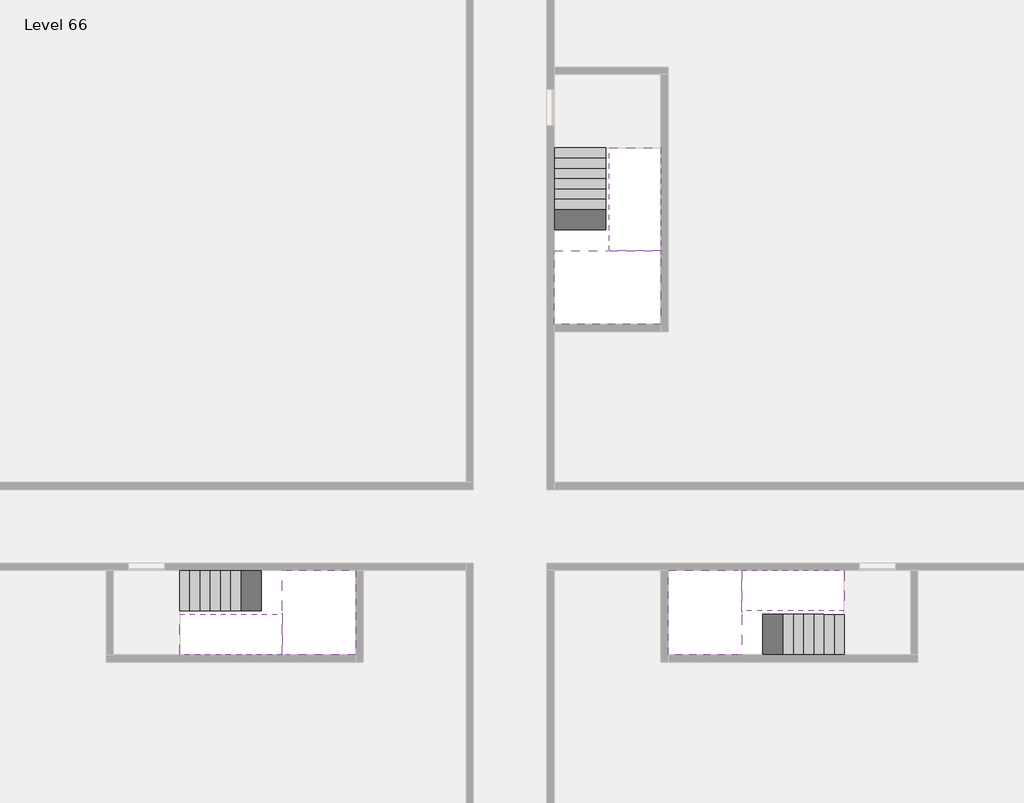
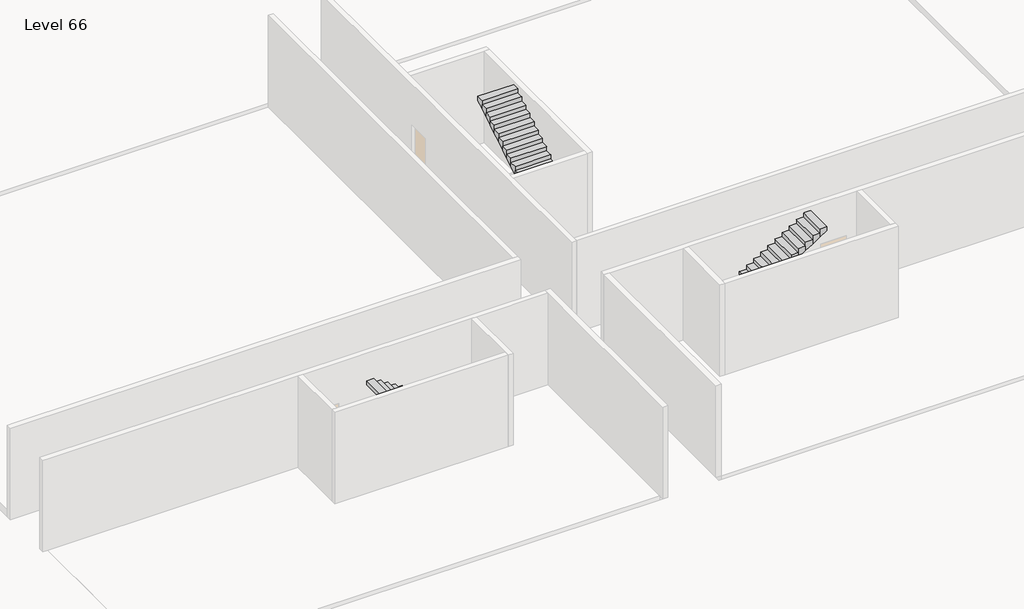
# One storey, part 2 of 2: 6 stair flights, 3 slabs.
"""IFC4 building model written with IfcOpenShell, lengths in millimetres."""

from ifc_helpers import new_model, si_unit, origin, place, context, project, spatial, faceted_brep, element, save

model = new_model("IFC4")

# Units and contexts
model_context = context("Model", 3, world=origin())
ifc_project = project(units=[si_unit("LENGTHUNIT", "METRE", prefix="MILLI")], contexts=[model_context])

# Site, building, storey
site = spatial("IfcSite", under=ifc_project)
building = spatial("IfcBuilding", under=site)
storey = spatial("IfcBuildingStorey", under=building, Name="Level 66", Elevation=247000.0)

# Slabs
placement = place(None, origin())
element("IfcSlab", 1, at=placement, inside=storey, context=model_context, shape_type="Brep", body=[
    faceted_brep([(26790.1058784, -34218.09644, 248900.0), (25390.1058784, -34218.09644, 248900.0), (25390.1058784, -34297.4828763, 248900.0), (25390.1058784, -36218.09644, 248900.0), (28290.1058784, -36218.09644, 248900.0), (28290.1058784, -34418.7100038, 248900.0), (28290.1058784, -34218.09644, 248900.0), (26890.1058784, -34218.09644, 248900.0), (26790.1058784, -34218.09644, 248600.0), (26790.1058784, -34218.09644, 248551.0278478), (25390.1058784, -34218.09644, 248551.0278478), (25390.1058784, -34218.09644, 248727.2727273), (25390.1058784, -34297.4828763, 248600.0), (25390.1058784, -36218.09644, 248600.0), (28290.1058784, -36218.09644, 248600.0), (28290.1058784, -34418.7100038, 248600.0), (28290.1058784, -34218.09644, 248723.7551205), (26890.1058784, -34218.09644, 248723.7551205), (26890.1058784, -34218.09644, 248600.0), (26890.1058784, -34418.7100038, 248600.0), (26790.1058784, -34297.4828763, 248600.0)], [[[0, 1, 2, 3, 4, 5, 6, 7]], [[1, 0, 8, 9, 10, 11]], [[1, 11, 10, 12, 13, 3, 2]], [[4, 3, 13, 14]], [[4, 14, 15, 16, 6, 5]], [[7, 6, 16, 17]], [[0, 7, 17, 18, 8]], [[18, 19, 15, 14, 13, 12, 20, 8]], [[19, 18, 17]], [[20, 12, 10, 9]], [[8, 20, 9]], [[15, 19, 17, 16]]]),
])
element("IfcSlab", 2, at=placement, inside=storey, context=model_context, shape_type="Brep", body=[
    faceted_brep([(30490.1058784, -45218.09644, 248900.0), (30490.1058784, -44118.09644, 248900.0), (30490.1058784, -44018.09644, 248900.0), (30490.1058784, -42918.09644, 248900.0), (30289.4923146, -42918.09644, 248900.0), (28490.1058784, -42918.09644, 248900.0), (28490.1058784, -45218.09644, 248900.0), (30410.7194421, -45218.09644, 248900.0), (30490.1058784, -45218.09644, 248727.2727273), (30490.1058784, -45218.09644, 248551.0278478), (30490.1058784, -44118.09644, 248551.0278478), (30490.1058784, -44118.09644, 248600.0), (30490.1058784, -44018.09644, 248600.0), (30490.1058784, -44018.09644, 248723.7551205), (30490.1058784, -42918.09644, 248723.7551205), (30289.4923146, -42918.09644, 248600.0), (28490.1058784, -42918.09644, 248600.0), (28490.1058784, -45218.09644, 248600.0), (30410.7194421, -45218.09644, 248600.0), (30289.4923146, -44018.09644, 248600.0), (30410.7194421, -44118.09644, 248600.0)], [[[0, 1, 2, 3, 4, 5, 6, 7]], [[1, 0, 8, 9, 10, 11]], [[2, 1, 11, 12, 13]], [[3, 2, 13, 14]], [[3, 14, 15, 16, 5, 4]], [[6, 5, 16, 17]], [[9, 8, 0, 7, 6, 17, 18]], [[19, 12, 11, 20, 18, 17, 16, 15]], [[12, 19, 13]], [[18, 20, 10, 9]], [[20, 11, 10]], [[19, 15, 14, 13]]]),
])
element("IfcSlab", 3, at=placement, inside=storey, context=model_context, shape_type="Brep", body=[
    faceted_brep([(17990.1058784, -42918.09644, 248900.0), (17990.1058784, -44018.09644, 248900.0), (17990.1058784, -44118.09644, 248900.0), (17990.1058784, -45218.09644, 248900.0), (18190.7194421, -45218.09644, 248900.0), (19990.1058784, -45218.09644, 248900.0), (19990.1058784, -42918.09644, 248900.0), (18069.4923146, -42918.09644, 248900.0), (17990.1058784, -42918.09644, 248727.2727273), (17990.1058784, -42918.09644, 248551.0278478), (17990.1058784, -44018.09644, 248551.0278478), (17990.1058784, -44018.09644, 248600.0), (17990.1058784, -44118.09644, 248600.0), (17990.1058784, -44118.09644, 248723.7551205), (17990.1058784, -45218.09644, 248723.7551205), (18190.7194421, -45218.09644, 248600.0), (19990.1058784, -45218.09644, 248600.0), (19990.1058784, -42918.09644, 248600.0), (18069.4923146, -42918.09644, 248600.0), (18190.7194421, -44118.09644, 248600.0), (18069.4923146, -44018.09644, 248600.0)], [[[0, 1, 2, 3, 4, 5, 6, 7]], [[1, 0, 8, 9, 10, 11]], [[2, 1, 11, 12, 13]], [[3, 2, 13, 14]], [[3, 14, 15, 16, 5, 4]], [[6, 5, 16, 17]], [[9, 8, 0, 7, 6, 17, 18]], [[19, 12, 11, 20, 18, 17, 16, 15]], [[12, 19, 13]], [[18, 20, 10, 9]], [[20, 11, 10]], [[19, 15, 14, 13]]]),
])

# Stair flights
element("IfcStairFlight", 4, at=placement, inside=storey, context=model_context, shape_type="Brep", body=[
    faceted_brep([(26790.1058784, -31698.09644, 247172.7272727), (26790.1058784, -31418.09644, 247172.7272727), (25390.1058784, -31418.09644, 247172.7272727), (25390.1058784, -31698.09644, 247172.7272727), (26790.1058784, -31698.09644, 247000.0), (26790.1058784, -31418.09644, 247000.0), (25390.1058784, -31418.09644, 247000.0), (25390.1058784, -31698.09644, 247000.0), (26790.1058784, -31978.09644, 247345.4545455), (26790.1058784, -31698.09644, 247345.4545455), (25390.1058784, -31698.09644, 247345.4545455), (25390.1058784, -31978.09644, 247345.4545455), (26790.1058784, -31978.09644, 247169.209666), (26790.1058784, -31703.7986657, 247000.0), (25390.1058784, -31703.7986657, 247000.0), (25390.1058784, -31978.09644, 247169.209666), (26790.1058784, -32258.09644, 247518.1818182), (26790.1058784, -31978.09644, 247518.1818182), (25390.1058784, -31978.09644, 247518.1818182), (25390.1058784, -32258.09644, 247518.1818182), (26790.1058784, -32258.09644, 247341.9369387), (25390.1058784, -32258.09644, 247341.9369387), (26790.1058784, -32538.09644, 247690.9090909), (26790.1058784, -32258.09644, 247690.9090909), (25390.1058784, -32258.09644, 247690.9090909), (25390.1058784, -32538.09644, 247690.9090909), (26790.1058784, -32538.09644, 247514.6642114), (25390.1058784, -32538.09644, 247514.6642114), (26790.1058784, -32818.09644, 247863.6363636), (26790.1058784, -32538.09644, 247863.6363636), (25390.1058784, -32538.09644, 247863.6363636), (25390.1058784, -32818.09644, 247863.6363636), (26790.1058784, -32818.09644, 247687.3914841), (25390.1058784, -32818.09644, 247687.3914841), (26790.1058784, -33098.09644, 248036.3636364), (26790.1058784, -32818.09644, 248036.3636364), (25390.1058784, -32818.09644, 248036.3636364), (25390.1058784, -33098.09644, 248036.3636364), (26790.1058784, -33098.09644, 247860.1187569), (25390.1058784, -33098.09644, 247860.1187569), (26790.1058784, -33378.09644, 248209.0909091), (26790.1058784, -33098.09644, 248209.0909091), (25390.1058784, -33098.09644, 248209.0909091), (25390.1058784, -33378.09644, 248209.0909091), (26790.1058784, -33378.09644, 248032.8460296), (25390.1058784, -33378.09644, 248032.8460296), (26790.1058784, -33658.09644, 248381.8181818), (26790.1058784, -33378.09644, 248381.8181818), (25390.1058784, -33378.09644, 248381.8181818), (25390.1058784, -33658.09644, 248381.8181818), (26790.1058784, -33658.09644, 248205.5733023), (25390.1058784, -33658.09644, 248205.5733023), (26790.1058784, -33938.09644, 248554.5454545), (26790.1058784, -33658.09644, 248554.5454545), (25390.1058784, -33658.09644, 248554.5454545), (25390.1058784, -33938.09644, 248554.5454545), (26790.1058784, -33938.09644, 248378.3005751), (25390.1058784, -33938.09644, 248378.3005751), (26790.1058784, -34218.09644, 248727.2727273), (26790.1058784, -33938.09644, 248727.2727273), (25390.1058784, -33938.09644, 248727.2727273), (25390.1058784, -34218.09644, 248727.2727273), (26790.1058784, -34218.09644, 248600.0), (26790.1058784, -34218.09644, 248551.0278478), (25390.1058784, -34218.09644, 248551.0278478)], [[[0, 1, 2, 3]], [[1, 0, 4, 5]], [[2, 1, 5, 6]], [[3, 2, 6, 7]], [[8, 9, 10, 11]], [[4, 0, 9, 8, 12, 13]], [[0, 3, 10, 9]], [[3, 7, 14, 15, 11, 10]], [[16, 17, 18, 19]], [[17, 16, 20, 12, 8]], [[8, 11, 18, 17]], [[19, 18, 11, 15, 21]], [[22, 23, 24, 25]], [[23, 22, 26, 20, 16]], [[16, 19, 24, 23]], [[25, 24, 19, 21, 27]], [[28, 29, 30, 31]], [[29, 28, 32, 26, 22]], [[22, 25, 30, 29]], [[31, 30, 25, 27, 33]], [[34, 35, 36, 37]], [[35, 34, 38, 32, 28]], [[28, 31, 36, 35]], [[37, 36, 31, 33, 39]], [[40, 41, 42, 43]], [[41, 40, 44, 38, 34]], [[34, 37, 42, 41]], [[43, 42, 37, 39, 45]], [[46, 47, 48, 49]], [[47, 46, 50, 44, 40]], [[40, 43, 48, 47]], [[49, 48, 43, 45, 51]], [[52, 53, 54, 55]], [[53, 52, 56, 50, 46]], [[46, 49, 54, 53]], [[55, 54, 49, 51, 57]], [[58, 59, 60, 61]], [[59, 58, 62, 63, 56, 52]], [[52, 55, 60, 59]], [[61, 60, 55, 57, 64]], [[58, 61, 64, 63, 62]], [[5, 4, 13, 14, 7, 6]], [[14, 13, 12, 20, 26, 32, 38, 44, 50, 56, 63, 64, 57, 51, 45, 39, 33, 27, 21, 15]]]),
])
element("IfcStairFlight", 5, at=placement, inside=storey, context=model_context, shape_type="Brep", body=[
    faceted_brep([(26890.1058784, -33938.09644, 249072.7272727), (26890.1058784, -34218.09644, 249072.7272727), (28290.1058784, -34218.09644, 249072.7272727), (28290.1058784, -33938.09644, 249072.7272727), (26890.1058784, -33938.09644, 248896.4823932), (26890.1058784, -34218.09644, 248723.7551205), (28290.1058784, -34218.09644, 248723.7551205), (28290.1058784, -34218.09644, 248900.0), (28290.1058784, -33938.09644, 248896.4823932), (26890.1058784, -33658.09644, 249245.4545455), (26890.1058784, -33938.09644, 249245.4545455), (28290.1058784, -33938.09644, 249245.4545455), (28290.1058784, -33658.09644, 249245.4545455), (26890.1058784, -33658.09644, 249069.209666), (28290.1058784, -33658.09644, 249069.209666), (26890.1058784, -33378.09644, 249418.1818182), (26890.1058784, -33658.09644, 249418.1818182), (28290.1058784, -33658.09644, 249418.1818182), (28290.1058784, -33378.09644, 249418.1818182), (26890.1058784, -33378.09644, 249241.9369387), (28290.1058784, -33378.09644, 249241.9369387), (26890.1058784, -33098.09644, 249590.9090909), (26890.1058784, -33378.09644, 249590.9090909), (28290.1058784, -33378.09644, 249590.9090909), (28290.1058784, -33098.09644, 249590.9090909), (26890.1058784, -33098.09644, 249414.6642114), (28290.1058784, -33098.09644, 249414.6642114), (26890.1058784, -32818.09644, 249763.6363636), (26890.1058784, -33098.09644, 249763.6363636), (28290.1058784, -33098.09644, 249763.6363636), (28290.1058784, -32818.09644, 249763.6363636), (26890.1058784, -32818.09644, 249587.3914841), (28290.1058784, -32818.09644, 249587.3914841), (26890.1058784, -32538.09644, 249936.3636364), (26890.1058784, -32818.09644, 249936.3636364), (28290.1058784, -32818.09644, 249936.3636364), (28290.1058784, -32538.09644, 249936.3636364), (26890.1058784, -32538.09644, 249760.1187569), (28290.1058784, -32538.09644, 249760.1187569), (26890.1058784, -32258.09644, 250109.0909091), (26890.1058784, -32538.09644, 250109.0909091), (28290.1058784, -32538.09644, 250109.0909091), (28290.1058784, -32258.09644, 250109.0909091), (26890.1058784, -32258.09644, 249932.8460296), (28290.1058784, -32258.09644, 249932.8460296), (26890.1058784, -31978.09644, 250281.8181818), (26890.1058784, -32258.09644, 250281.8181818), (28290.1058784, -32258.09644, 250281.8181818), (28290.1058784, -31978.09644, 250281.8181818), (26890.1058784, -31978.09644, 250105.5733023), (28290.1058784, -31978.09644, 250105.5733023), (26890.1058784, -31698.09644, 250454.5454545), (26890.1058784, -31978.09644, 250454.5454545), (28290.1058784, -31978.09644, 250454.5454545), (28290.1058784, -31698.09644, 250454.5454545), (26890.1058784, -31698.09644, 250278.3005751), (28290.1058784, -31698.09644, 250278.3005751), (26890.1058784, -31418.09644, 250627.2727273), (26890.1058784, -31698.09644, 250627.2727273), (28290.1058784, -31698.09644, 250627.2727273), (28290.1058784, -31418.09644, 250627.2727273), (26890.1058784, -31418.09644, 250451.0278478), (28290.1058784, -31418.09644, 250451.0278478)], [[[0, 1, 2, 3]], [[1, 0, 4, 5]], [[2, 1, 5, 6, 7]], [[3, 2, 7, 6, 8]], [[9, 10, 11, 12]], [[10, 9, 13, 4, 0]], [[11, 10, 0, 3]], [[12, 11, 3, 8, 14]], [[15, 16, 17, 18]], [[16, 15, 19, 13, 9]], [[17, 16, 9, 12]], [[18, 17, 12, 14, 20]], [[21, 22, 23, 24]], [[22, 21, 25, 19, 15]], [[23, 22, 15, 18]], [[24, 23, 18, 20, 26]], [[27, 28, 29, 30]], [[28, 27, 31, 25, 21]], [[29, 28, 21, 24]], [[30, 29, 24, 26, 32]], [[33, 34, 35, 36]], [[34, 33, 37, 31, 27]], [[35, 34, 27, 30]], [[36, 35, 30, 32, 38]], [[39, 40, 41, 42]], [[40, 39, 43, 37, 33]], [[41, 40, 33, 36]], [[42, 41, 36, 38, 44]], [[45, 46, 47, 48]], [[46, 45, 49, 43, 39]], [[47, 46, 39, 42]], [[48, 47, 42, 44, 50]], [[51, 52, 53, 54]], [[52, 51, 55, 49, 45]], [[53, 52, 45, 48]], [[54, 53, 48, 50, 56]], [[57, 58, 59, 60]], [[58, 57, 61, 55, 51]], [[59, 58, 51, 54]], [[60, 59, 54, 56, 62]], [[57, 60, 62, 61]], [[5, 4, 13, 19, 25, 31, 37, 43, 49, 55, 61, 62, 56, 50, 44, 38, 32, 26, 20, 14, 8, 6]]]),
])
element("IfcStairFlight", 6, at=placement, inside=storey, context=model_context, shape_type="Brep", body=[
    faceted_brep([(33010.1058784, -45218.09644, 247172.7272727), (33290.1058784, -45218.09644, 247172.7272727), (33290.1058784, -44118.09644, 247172.7272727), (33010.1058784, -44118.09644, 247172.7272727), (33010.1058784, -45218.09644, 247000.0), (33290.1058784, -45218.09644, 247000.0), (33290.1058784, -44118.09644, 247000.0), (33010.1058784, -44118.09644, 247000.0), (32730.1058784, -45218.09644, 247345.4545455), (33010.1058784, -45218.09644, 247345.4545455), (33010.1058784, -44118.09644, 247345.4545455), (32730.1058784, -44118.09644, 247345.4545455), (32730.1058784, -45218.09644, 247169.209666), (33004.4036527, -45218.09644, 247000.0), (33004.4036527, -44118.09644, 247000.0), (32730.1058784, -44118.09644, 247169.209666), (32450.1058784, -45218.09644, 247518.1818182), (32730.1058784, -45218.09644, 247518.1818182), (32730.1058784, -44118.09644, 247518.1818182), (32450.1058784, -44118.09644, 247518.1818182), (32450.1058784, -45218.09644, 247341.9369387), (32450.1058784, -44118.09644, 247341.9369387), (32170.1058784, -45218.09644, 247690.9090909), (32450.1058784, -45218.09644, 247690.9090909), (32450.1058784, -44118.09644, 247690.9090909), (32170.1058784, -44118.09644, 247690.9090909), (32170.1058784, -45218.09644, 247514.6642114), (32170.1058784, -44118.09644, 247514.6642114), (31890.1058784, -45218.09644, 247863.6363636), (32170.1058784, -45218.09644, 247863.6363636), (32170.1058784, -44118.09644, 247863.6363636), (31890.1058784, -44118.09644, 247863.6363636), (31890.1058784, -45218.09644, 247687.3914841), (31890.1058784, -44118.09644, 247687.3914841), (31610.1058784, -45218.09644, 248036.3636364), (31890.1058784, -45218.09644, 248036.3636364), (31890.1058784, -44118.09644, 248036.3636364), (31610.1058784, -44118.09644, 248036.3636364), (31610.1058784, -45218.09644, 247860.1187569), (31610.1058784, -44118.09644, 247860.1187569), (31330.1058784, -45218.09644, 248209.0909091), (31610.1058784, -45218.09644, 248209.0909091), (31610.1058784, -44118.09644, 248209.0909091), (31330.1058784, -44118.09644, 248209.0909091), (31330.1058784, -45218.09644, 248032.8460296), (31330.1058784, -44118.09644, 248032.8460296), (31050.1058784, -45218.09644, 248381.8181818), (31330.1058784, -45218.09644, 248381.8181818), (31330.1058784, -44118.09644, 248381.8181818), (31050.1058784, -44118.09644, 248381.8181818), (31050.1058784, -45218.09644, 248205.5733023), (31050.1058784, -44118.09644, 248205.5733023), (30770.1058784, -45218.09644, 248554.5454545), (31050.1058784, -45218.09644, 248554.5454545), (31050.1058784, -44118.09644, 248554.5454545), (30770.1058784, -44118.09644, 248554.5454545), (30770.1058784, -45218.09644, 248378.3005751), (30770.1058784, -44118.09644, 248378.3005751), (30490.1058784, -45218.09644, 248727.2727273), (30770.1058784, -45218.09644, 248727.2727273), (30770.1058784, -44118.09644, 248727.2727273), (30490.1058784, -44118.09644, 248727.2727273), (30490.1058784, -45218.09644, 248551.0278478), (30490.1058784, -44118.09644, 248551.0278478), (30490.1058784, -44118.09644, 248600.0)], [[[0, 1, 2, 3]], [[1, 0, 4, 5]], [[2, 1, 5, 6]], [[3, 2, 6, 7]], [[8, 9, 10, 11]], [[4, 0, 9, 8, 12, 13]], [[0, 3, 10, 9]], [[3, 7, 14, 15, 11, 10]], [[16, 17, 18, 19]], [[17, 16, 20, 12, 8]], [[8, 11, 18, 17]], [[19, 18, 11, 15, 21]], [[22, 23, 24, 25]], [[23, 22, 26, 20, 16]], [[16, 19, 24, 23]], [[25, 24, 19, 21, 27]], [[28, 29, 30, 31]], [[29, 28, 32, 26, 22]], [[22, 25, 30, 29]], [[31, 30, 25, 27, 33]], [[34, 35, 36, 37]], [[35, 34, 38, 32, 28]], [[28, 31, 36, 35]], [[37, 36, 31, 33, 39]], [[40, 41, 42, 43]], [[41, 40, 44, 38, 34]], [[34, 37, 42, 41]], [[43, 42, 37, 39, 45]], [[46, 47, 48, 49]], [[47, 46, 50, 44, 40]], [[40, 43, 48, 47]], [[49, 48, 43, 45, 51]], [[52, 53, 54, 55]], [[53, 52, 56, 50, 46]], [[46, 49, 54, 53]], [[55, 54, 49, 51, 57]], [[58, 59, 60, 61]], [[59, 58, 62, 56, 52]], [[52, 55, 60, 59]], [[61, 60, 55, 57, 63, 64]], [[58, 61, 64, 63, 62]], [[5, 4, 13, 14, 7, 6]], [[14, 13, 12, 20, 26, 32, 38, 44, 50, 56, 62, 63, 57, 51, 45, 39, 33, 27, 21, 15]]]),
])
element("IfcStairFlight", 7, at=placement, inside=storey, context=model_context, shape_type="Brep", body=[
    faceted_brep([(30770.1058784, -42918.09644, 249072.7272727), (30490.1058784, -42918.09644, 249072.7272727), (30490.1058784, -44018.09644, 249072.7272727), (30770.1058784, -44018.09644, 249072.7272727), (30770.1058784, -42918.09644, 248896.4823932), (30490.1058784, -42918.09644, 248723.7551205), (30490.1058784, -42918.09644, 248900.0), (30490.1058784, -44018.09644, 248723.7551205), (30770.1058784, -44018.09644, 248896.4823932), (31050.1058784, -42918.09644, 249245.4545455), (30770.1058784, -42918.09644, 249245.4545455), (30770.1058784, -44018.09644, 249245.4545455), (31050.1058784, -44018.09644, 249245.4545455), (31050.1058784, -42918.09644, 249069.209666), (31050.1058784, -44018.09644, 249069.209666), (31330.1058784, -42918.09644, 249418.1818182), (31050.1058784, -42918.09644, 249418.1818182), (31050.1058784, -44018.09644, 249418.1818182), (31330.1058784, -44018.09644, 249418.1818182), (31330.1058784, -42918.09644, 249241.9369387), (31330.1058784, -44018.09644, 249241.9369387), (31610.1058784, -42918.09644, 249590.9090909), (31330.1058784, -42918.09644, 249590.9090909), (31330.1058784, -44018.09644, 249590.9090909), (31610.1058784, -44018.09644, 249590.9090909), (31610.1058784, -42918.09644, 249414.6642114), (31610.1058784, -44018.09644, 249414.6642114), (31890.1058784, -42918.09644, 249763.6363636), (31610.1058784, -42918.09644, 249763.6363636), (31610.1058784, -44018.09644, 249763.6363636), (31890.1058784, -44018.09644, 249763.6363636), (31890.1058784, -42918.09644, 249587.3914841), (31890.1058784, -44018.09644, 249587.3914841), (32170.1058784, -42918.09644, 249936.3636364), (31890.1058784, -42918.09644, 249936.3636364), (31890.1058784, -44018.09644, 249936.3636364), (32170.1058784, -44018.09644, 249936.3636364), (32170.1058784, -42918.09644, 249760.1187569), (32170.1058784, -44018.09644, 249760.1187569), (32450.1058784, -42918.09644, 250109.0909091), (32170.1058784, -42918.09644, 250109.0909091), (32170.1058784, -44018.09644, 250109.0909091), (32450.1058784, -44018.09644, 250109.0909091), (32450.1058784, -42918.09644, 249932.8460296), (32450.1058784, -44018.09644, 249932.8460296), (32730.1058784, -42918.09644, 250281.8181818), (32450.1058784, -42918.09644, 250281.8181818), (32450.1058784, -44018.09644, 250281.8181818), (32730.1058784, -44018.09644, 250281.8181818), (32730.1058784, -42918.09644, 250105.5733023), (32730.1058784, -44018.09644, 250105.5733023), (33010.1058784, -42918.09644, 250454.5454545), (32730.1058784, -42918.09644, 250454.5454545), (32730.1058784, -44018.09644, 250454.5454545), (33010.1058784, -44018.09644, 250454.5454545), (33010.1058784, -42918.09644, 250278.3005751), (33010.1058784, -44018.09644, 250278.3005751), (33290.1058784, -42918.09644, 250627.2727273), (33010.1058784, -42918.09644, 250627.2727273), (33010.1058784, -44018.09644, 250627.2727273), (33290.1058784, -44018.09644, 250627.2727273), (33290.1058784, -42918.09644, 250451.0278478), (33290.1058784, -44018.09644, 250451.0278478)], [[[0, 1, 2, 3]], [[1, 0, 4, 5, 6]], [[2, 1, 6, 5, 7]], [[3, 2, 7, 8]], [[9, 10, 11, 12]], [[10, 9, 13, 4, 0]], [[11, 10, 0, 3]], [[12, 11, 3, 8, 14]], [[15, 16, 17, 18]], [[16, 15, 19, 13, 9]], [[17, 16, 9, 12]], [[18, 17, 12, 14, 20]], [[21, 22, 23, 24]], [[22, 21, 25, 19, 15]], [[23, 22, 15, 18]], [[24, 23, 18, 20, 26]], [[27, 28, 29, 30]], [[28, 27, 31, 25, 21]], [[29, 28, 21, 24]], [[30, 29, 24, 26, 32]], [[33, 34, 35, 36]], [[34, 33, 37, 31, 27]], [[35, 34, 27, 30]], [[36, 35, 30, 32, 38]], [[39, 40, 41, 42]], [[40, 39, 43, 37, 33]], [[41, 40, 33, 36]], [[42, 41, 36, 38, 44]], [[45, 46, 47, 48]], [[46, 45, 49, 43, 39]], [[47, 46, 39, 42]], [[48, 47, 42, 44, 50]], [[51, 52, 53, 54]], [[52, 51, 55, 49, 45]], [[53, 52, 45, 48]], [[54, 53, 48, 50, 56]], [[57, 58, 59, 60]], [[58, 57, 61, 55, 51]], [[59, 58, 51, 54]], [[60, 59, 54, 56, 62]], [[57, 60, 62, 61]], [[5, 4, 13, 19, 25, 31, 37, 43, 49, 55, 61, 62, 56, 50, 44, 38, 32, 26, 20, 14, 8, 7]]]),
])
element("IfcStairFlight", 8, at=placement, inside=storey, context=model_context, shape_type="Brep", body=[
    faceted_brep([(15470.1058784, -42918.09644, 247172.7272727), (15190.1058784, -42918.09644, 247172.7272727), (15190.1058784, -44018.09644, 247172.7272727), (15470.1058784, -44018.09644, 247172.7272727), (15470.1058784, -42918.09644, 247000.0), (15190.1058784, -42918.09644, 247000.0), (15190.1058784, -44018.09644, 247000.0), (15470.1058784, -44018.09644, 247000.0), (15750.1058784, -42918.09644, 247345.4545455), (15470.1058784, -42918.09644, 247345.4545455), (15470.1058784, -44018.09644, 247345.4545455), (15750.1058784, -44018.09644, 247345.4545455), (15750.1058784, -42918.09644, 247169.209666), (15475.8081041, -42918.09644, 247000.0), (15475.8081041, -44018.09644, 247000.0), (15750.1058784, -44018.09644, 247169.209666), (16030.1058784, -42918.09644, 247518.1818182), (15750.1058784, -42918.09644, 247518.1818182), (15750.1058784, -44018.09644, 247518.1818182), (16030.1058784, -44018.09644, 247518.1818182), (16030.1058784, -42918.09644, 247341.9369387), (16030.1058784, -44018.09644, 247341.9369387), (16310.1058784, -42918.09644, 247690.9090909), (16030.1058784, -42918.09644, 247690.9090909), (16030.1058784, -44018.09644, 247690.9090909), (16310.1058784, -44018.09644, 247690.9090909), (16310.1058784, -42918.09644, 247514.6642114), (16310.1058784, -44018.09644, 247514.6642114), (16590.1058784, -42918.09644, 247863.6363636), (16310.1058784, -42918.09644, 247863.6363636), (16310.1058784, -44018.09644, 247863.6363636), (16590.1058784, -44018.09644, 247863.6363636), (16590.1058784, -42918.09644, 247687.3914841), (16590.1058784, -44018.09644, 247687.3914841), (16870.1058784, -42918.09644, 248036.3636364), (16590.1058784, -42918.09644, 248036.3636364), (16590.1058784, -44018.09644, 248036.3636364), (16870.1058784, -44018.09644, 248036.3636364), (16870.1058784, -42918.09644, 247860.1187569), (16870.1058784, -44018.09644, 247860.1187569), (17150.1058784, -42918.09644, 248209.0909091), (16870.1058784, -42918.09644, 248209.0909091), (16870.1058784, -44018.09644, 248209.0909091), (17150.1058784, -44018.09644, 248209.0909091), (17150.1058784, -42918.09644, 248032.8460296), (17150.1058784, -44018.09644, 248032.8460296), (17430.1058784, -42918.09644, 248381.8181818), (17150.1058784, -42918.09644, 248381.8181818), (17150.1058784, -44018.09644, 248381.8181818), (17430.1058784, -44018.09644, 248381.8181818), (17430.1058784, -42918.09644, 248205.5733023), (17430.1058784, -44018.09644, 248205.5733023), (17710.1058784, -42918.09644, 248554.5454545), (17430.1058784, -42918.09644, 248554.5454545), (17430.1058784, -44018.09644, 248554.5454545), (17710.1058784, -44018.09644, 248554.5454545), (17710.1058784, -42918.09644, 248378.3005751), (17710.1058784, -44018.09644, 248378.3005751), (17990.1058784, -42918.09644, 248727.2727273), (17710.1058784, -42918.09644, 248727.2727273), (17710.1058784, -44018.09644, 248727.2727273), (17990.1058784, -44018.09644, 248727.2727273), (17990.1058784, -42918.09644, 248551.0278478), (17990.1058784, -44018.09644, 248551.0278478), (17990.1058784, -44018.09644, 248600.0)], [[[0, 1, 2, 3]], [[1, 0, 4, 5]], [[2, 1, 5, 6]], [[3, 2, 6, 7]], [[8, 9, 10, 11]], [[4, 0, 9, 8, 12, 13]], [[0, 3, 10, 9]], [[3, 7, 14, 15, 11, 10]], [[16, 17, 18, 19]], [[17, 16, 20, 12, 8]], [[8, 11, 18, 17]], [[19, 18, 11, 15, 21]], [[22, 23, 24, 25]], [[23, 22, 26, 20, 16]], [[16, 19, 24, 23]], [[25, 24, 19, 21, 27]], [[28, 29, 30, 31]], [[29, 28, 32, 26, 22]], [[22, 25, 30, 29]], [[31, 30, 25, 27, 33]], [[34, 35, 36, 37]], [[35, 34, 38, 32, 28]], [[28, 31, 36, 35]], [[37, 36, 31, 33, 39]], [[40, 41, 42, 43]], [[41, 40, 44, 38, 34]], [[34, 37, 42, 41]], [[43, 42, 37, 39, 45]], [[46, 47, 48, 49]], [[47, 46, 50, 44, 40]], [[40, 43, 48, 47]], [[49, 48, 43, 45, 51]], [[52, 53, 54, 55]], [[53, 52, 56, 50, 46]], [[46, 49, 54, 53]], [[55, 54, 49, 51, 57]], [[58, 59, 60, 61]], [[59, 58, 62, 56, 52]], [[52, 55, 60, 59]], [[61, 60, 55, 57, 63, 64]], [[58, 61, 64, 63, 62]], [[5, 4, 13, 14, 7, 6]], [[14, 13, 12, 20, 26, 32, 38, 44, 50, 56, 62, 63, 57, 51, 45, 39, 33, 27, 21, 15]]]),
])
element("IfcStairFlight", 9, at=placement, inside=storey, context=model_context, shape_type="Brep", body=[
    faceted_brep([(17710.1058784, -45218.09644, 249072.7272727), (17990.1058784, -45218.09644, 249072.7272727), (17990.1058784, -44118.09644, 249072.7272727), (17710.1058784, -44118.09644, 249072.7272727), (17710.1058784, -45218.09644, 248896.4823932), (17990.1058784, -45218.09644, 248723.7551205), (17990.1058784, -45218.09644, 248900.0), (17990.1058784, -44118.09644, 248723.7551205), (17710.1058784, -44118.09644, 248896.4823932), (17430.1058784, -45218.09644, 249245.4545455), (17710.1058784, -45218.09644, 249245.4545455), (17710.1058784, -44118.09644, 249245.4545455), (17430.1058784, -44118.09644, 249245.4545455), (17430.1058784, -45218.09644, 249069.209666), (17430.1058784, -44118.09644, 249069.209666), (17150.1058784, -45218.09644, 249418.1818182), (17430.1058784, -45218.09644, 249418.1818182), (17430.1058784, -44118.09644, 249418.1818182), (17150.1058784, -44118.09644, 249418.1818182), (17150.1058784, -45218.09644, 249241.9369387), (17150.1058784, -44118.09644, 249241.9369387), (16870.1058784, -45218.09644, 249590.9090909), (17150.1058784, -45218.09644, 249590.9090909), (17150.1058784, -44118.09644, 249590.9090909), (16870.1058784, -44118.09644, 249590.9090909), (16870.1058784, -45218.09644, 249414.6642114), (16870.1058784, -44118.09644, 249414.6642114), (16590.1058784, -45218.09644, 249763.6363636), (16870.1058784, -45218.09644, 249763.6363636), (16870.1058784, -44118.09644, 249763.6363636), (16590.1058784, -44118.09644, 249763.6363636), (16590.1058784, -45218.09644, 249587.3914841), (16590.1058784, -44118.09644, 249587.3914841), (16310.1058784, -45218.09644, 249936.3636364), (16590.1058784, -45218.09644, 249936.3636364), (16590.1058784, -44118.09644, 249936.3636364), (16310.1058784, -44118.09644, 249936.3636364), (16310.1058784, -45218.09644, 249760.1187569), (16310.1058784, -44118.09644, 249760.1187569), (16030.1058784, -45218.09644, 250109.0909091), (16310.1058784, -45218.09644, 250109.0909091), (16310.1058784, -44118.09644, 250109.0909091), (16030.1058784, -44118.09644, 250109.0909091), (16030.1058784, -45218.09644, 249932.8460296), (16030.1058784, -44118.09644, 249932.8460296), (15750.1058784, -45218.09644, 250281.8181818), (16030.1058784, -45218.09644, 250281.8181818), (16030.1058784, -44118.09644, 250281.8181818), (15750.1058784, -44118.09644, 250281.8181818), (15750.1058784, -45218.09644, 250105.5733023), (15750.1058784, -44118.09644, 250105.5733023), (15470.1058784, -45218.09644, 250454.5454545), (15750.1058784, -45218.09644, 250454.5454545), (15750.1058784, -44118.09644, 250454.5454545), (15470.1058784, -44118.09644, 250454.5454545), (15470.1058784, -45218.09644, 250278.3005751), (15470.1058784, -44118.09644, 250278.3005751), (15190.1058784, -45218.09644, 250627.2727273), (15470.1058784, -45218.09644, 250627.2727273), (15470.1058784, -44118.09644, 250627.2727273), (15190.1058784, -44118.09644, 250627.2727273), (15190.1058784, -45218.09644, 250451.0278478), (15190.1058784, -44118.09644, 250451.0278478)], [[[0, 1, 2, 3]], [[1, 0, 4, 5, 6]], [[2, 1, 6, 5, 7]], [[3, 2, 7, 8]], [[9, 10, 11, 12]], [[10, 9, 13, 4, 0]], [[11, 10, 0, 3]], [[12, 11, 3, 8, 14]], [[15, 16, 17, 18]], [[16, 15, 19, 13, 9]], [[17, 16, 9, 12]], [[18, 17, 12, 14, 20]], [[21, 22, 23, 24]], [[22, 21, 25, 19, 15]], [[23, 22, 15, 18]], [[24, 23, 18, 20, 26]], [[27, 28, 29, 30]], [[28, 27, 31, 25, 21]], [[29, 28, 21, 24]], [[30, 29, 24, 26, 32]], [[33, 34, 35, 36]], [[34, 33, 37, 31, 27]], [[35, 34, 27, 30]], [[36, 35, 30, 32, 38]], [[39, 40, 41, 42]], [[40, 39, 43, 37, 33]], [[41, 40, 33, 36]], [[42, 41, 36, 38, 44]], [[45, 46, 47, 48]], [[46, 45, 49, 43, 39]], [[47, 46, 39, 42]], [[48, 47, 42, 44, 50]], [[51, 52, 53, 54]], [[52, 51, 55, 49, 45]], [[53, 52, 45, 48]], [[54, 53, 48, 50, 56]], [[57, 58, 59, 60]], [[58, 57, 61, 55, 51]], [[59, 58, 51, 54]], [[60, 59, 54, 56, 62]], [[57, 60, 62, 61]], [[5, 4, 13, 19, 25, 31, 37, 43, 49, 55, 61, 62, 56, 50, 44, 38, 32, 26, 20, 14, 8, 7]]]),
])

save(model, "model.ifc")
